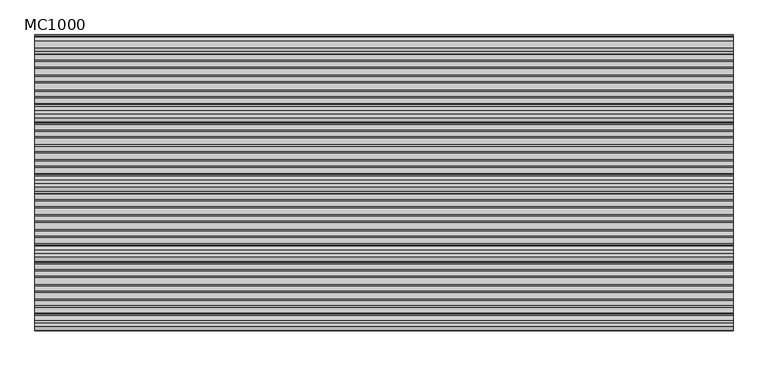
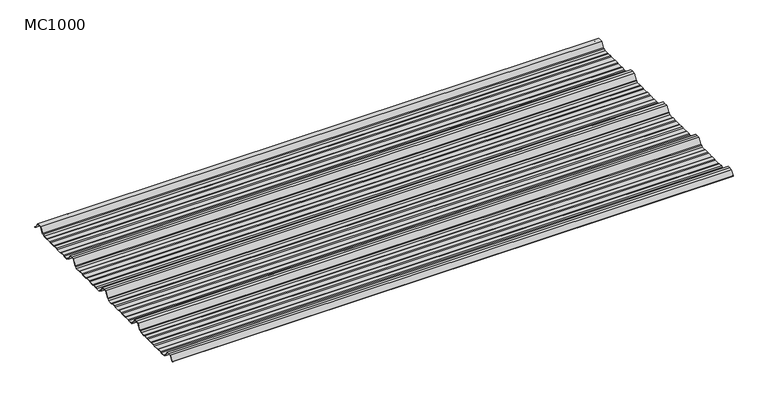
"""IFC4 building model written with IfcOpenShell, lengths in millimetres: beam geometry, MC1000."""

from ifc_helpers import new_model, si_unit, point, frame, frame_2d, origin, place, context, project, spatial, polyline, circle_curve, trimmed, segment, composite_curve, outline, extrude, source, transform, mapped, element, save


def mc1000_8ebba1e3(model_context):
    return source(origin(), model_context, "Body", "SweptSolid", [
        extrude(outline(composite_curve([segment(polyline([(-187.0338322, -23.7896472), (-192.5, -25.7896478), (-213.5, -25.7896478), (-217.6210251, -19.1370213), (-222.9746775, -19.1370213), (-238.0568616, 5.2103522), (-250.0, 5.2103522), (-261.9431384, 5.2103522), (-277.0253225, -19.1370213), (-282.3789749, -19.1370213), (-286.5, -25.7896478), (-307.5, -25.7896478), (-312.9661678, -23.7896476), (-330.9151087, -23.7896476), (-336.3812767, -25.7896478), (-360.5593616, -25.7896478), (-366.0255296, -23.7896476), (-383.97447, -23.7896476), (-389.4406384, -25.7896478), (-413.6187233, -25.7896478), (-419.0848913, -23.7896476), (-437.0338322, -23.7896476), (-442.5, -25.7896478), (-463.5, -25.7896478), (-467.6210251, -19.1370213), (-472.9746775, -19.1370213), (-488.0568616, 5.2103522), (-500.0, 5.2103522), (-511.9431384, 5.2103522), (-527.0253225, -19.1370213), (-532.3789749, -19.1370213), (-536.5, -25.7896478), (-557.5, -25.7896478), (-562.9661678, -23.789648), (-580.9151087, -23.789648), (-586.3812767, -25.7896482), (-610.5593616, -25.7896482), (-616.0255296, -23.7896476), (-633.97447, -23.7896476), (-639.4406384, -25.7896478), (-663.6187233, -25.7896478), (-669.0848913, -23.7896476), (-687.0338322, -23.7896476), (-692.5, -25.7896478), (-713.5, -25.7896478), (-717.6210251, -19.1370213), (-722.9746775, -19.1370213), (-738.0568616, 5.2103522), (-750.0, 5.2103522), (-761.9431384, 5.2103522), (-777.0253225, -19.1370213), (-782.3789749, -19.1370213), (-786.5, -25.7896478), (-807.5, -25.7896478), (-812.9661678, -23.7896476), (-830.9151087, -23.7896476), (-836.3812767, -25.7896478), (-860.5593616, -25.7896478), (-866.0255296, -23.7896476), (-883.97447, -23.7896476), (-889.4406384, -25.7896478), (-913.6187233, -25.7896478), (-919.0848913, -23.7896476), (-937.0338322, -23.7896476), (-942.5, -25.7896478), (-963.5, -25.7896478), (-967.6210251, -19.1370213), (-972.9746775, -19.1370213), (-988.0568616, 5.2103522), (-1000.0, 5.2103522), (-1011.9431384, 5.2103522), (-1025.3430666, -16.4213329)]), True, "CONTINUOUS"), segment(trimmed(circle_curve(frame_2d((-1025.768121, -16.1580294)), 0.5), [point((-1025.3430666, -16.4213329))], [point((-1026.1931754, -15.8947259))], False, "CARTESIAN"), True, "CONTINUOUS"), segment(polyline([(-1026.1931754, -15.8947259), (-1012.5, 6.2103522), (-1000.0, 6.2103522), (-987.5, 6.2103522), (-972.4178159, -18.1370213), (-967.0641635, -18.1370213), (-962.9431384, -24.7896478), (-942.6771992, -24.7896478), (-937.2110314, -22.7896476), (-918.9076926, -22.7896476), (-913.4415242, -24.7896478), (-889.6178376, -24.7896478), (-884.1516696, -22.7896478), (-865.8483309, -22.7896478), (-860.3821624, -24.7896478), (-836.5584758, -24.7896478), (-831.0923074, -22.7896476), (-812.7889686, -22.7896476), (-807.3228008, -24.7896478), (-787.0568616, -24.7896478), (-782.9358365, -18.1370213), (-777.5821841, -18.1370213), (-762.5, 6.2103522), (-750.0, 6.2103522), (-737.5, 6.2103522), (-722.4178159, -18.1370213), (-717.0641635, -18.1370213), (-712.9431384, -24.7896478), (-692.6771992, -24.7896478), (-687.2110314, -22.7896476), (-668.9076926, -22.7896476), (-663.4415242, -24.7896478), (-639.6178376, -24.7896478), (-634.1516696, -22.7896478), (-615.8483309, -22.7896478), (-610.3821624, -24.7896482), (-586.5584758, -24.7896482), (-581.0923074, -22.789648), (-562.7889686, -22.789648), (-557.3228008, -24.7896478), (-537.0568616, -24.7896478), (-532.9358365, -18.1370213), (-527.5821841, -18.1370213), (-512.5, 6.2103522), (-500.0, 6.2103522), (-487.5, 6.2103522), (-472.4178159, -18.1370213), (-467.0641635, -18.1370213), (-462.9431384, -24.7896478), (-442.6771992, -24.7896478), (-437.2110314, -22.7896476), (-418.9076926, -22.7896476), (-413.4415242, -24.7896478), (-389.6178376, -24.7896478), (-384.1516696, -22.7896478), (-365.8483309, -22.7896478), (-360.3821624, -24.7896478), (-336.5584758, -24.7896478), (-331.0923074, -22.7896476), (-312.7889686, -22.7896476), (-307.3228008, -24.7896478), (-287.0568616, -24.7896478), (-282.9358365, -18.1370213), (-277.5821841, -18.1370213), (-262.5, 6.2103522), (-250.0, 6.2103522), (-237.5, 6.2103522), (-222.4178159, -18.1370213), (-217.0641635, -18.1370213), (-212.9431384, -24.7896478), (-192.6771992, -24.7896478), (-187.2110314, -22.7896472), (-168.9076926, -22.7896472), (-163.4415242, -24.7896475), (-139.6178376, -24.7896475), (-134.1516696, -22.7896474), (-115.8483309, -22.7896474), (-110.3821624, -24.7896475), (-86.5584758, -24.7896475), (-81.0923074, -22.7896476), (-62.7889686, -22.7896476), (-57.3228008, -24.7896478), (-37.0568616, -24.7896478), (-32.9358365, -18.1370213), (-25.2295442, -18.1370213), (-11.3862768, 4.2103522), (11.3862768, 4.2103522), (26.4684609, -20.1370213), (31.8221133, -20.1370213), (33.8767469, -23.4538441)]), True, "CONTINUOUS"), segment(trimmed(circle_curve(frame_2d((33.4516925, -23.7171476)), 0.5), [point((33.8767469, -23.4538441))], [point((33.0266381, -23.9804511))], False, "CARTESIAN"), True, "CONTINUOUS"), segment(polyline([(33.0266381, -23.9804511), (31.2652517, -21.1370213), (25.9115993, -21.1370213), (10.8294152, 3.2103522), (-10.8294152, 3.2103522), (-24.6726825, -19.1370213), (-32.3789749, -19.1370213), (-36.5, -25.7896478), (-57.5, -25.7896478), (-62.9661678, -23.7896476), (-80.9151087, -23.7896476), (-86.3812767, -25.7896475), (-110.5593616, -25.7896475), (-116.0255296, -23.7896472), (-133.97447, -23.7896472), (-139.4406384, -25.7896475), (-163.6187233, -25.7896475), (-169.0848913, -23.7896472), (-187.0338322, -23.7896472)]), True, "CONTINUOUS")], self_intersect=False)), frame((-1250.7126714, 0.0, 0.0), z_axis=(1.0, 0.0, 0.0), x_axis=(0.0, 1.0, 0.0)), (0.0, 0.0, 1.0), 2501.4253429),
    ])


if __name__ == "__main__":
    model = new_model("IFC4")
    model_context = context("Model", 3, world=origin())
    ifc_project = project(units=[si_unit("LENGTHUNIT", "METRE", prefix="MILLI")], contexts=[model_context])
    site = spatial("IfcSite", under=ifc_project)
    building = spatial("IfcBuilding", under=site)
    placement = place(None, origin())
    mc1000_shape = mc1000_8ebba1e3(model_context)
    element("IfcBeam", 1, ObjectType="MC1000", at=placement, inside=building, context=model_context, shape_type="MappedRepresentation", body=[
        mapped(mc1000_shape, transform((0.0, 0.0, 0.0), x_axis=(1.0, 0.0, 0.0), y_axis=(0.0, 1.0, 0.0), z_axis=(0.0, 0.0, 1.0))),
    ])
    save(model, "model.ifc")
